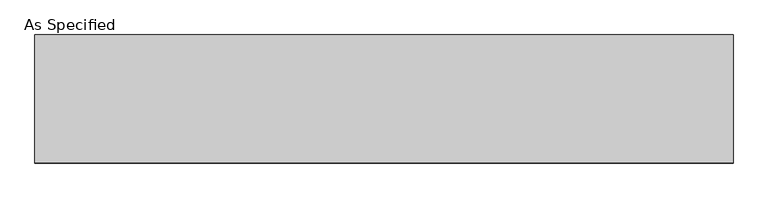
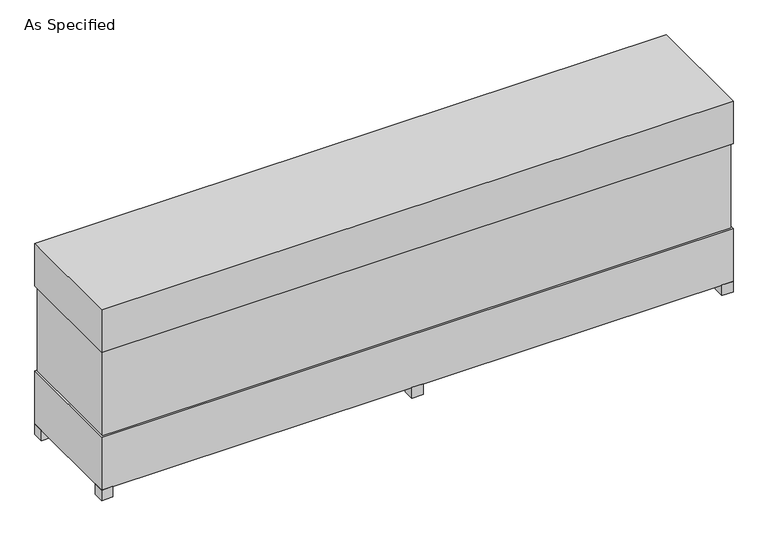
"""IFC4 building model written with IfcOpenShell, lengths in millimetres: proxy geometry, As Specified."""

from ifc_helpers import new_model, si_unit, frame, origin, origin_with_axes, place, context, project, spatial, polyline, outline, extrude, source, transform, mapped, element, save


def as_specified_61b6a930(model_context):
    return source(origin(), model_context, "Body", "SweptSolid", [
        extrude(outline(polyline([(2135.1875, 382.5875), (2135.1875, -382.5875), (-2135.1875, -382.5875), (-2135.1875, 382.5875), (2135.1875, 382.5875)])), frame((0.0, 0.0, 457.2), z_axis=(0.0, 0.0, 1.0), x_axis=(1.0, 0.0, 0.0)), (0.0, 0.0, 1.0), 609.6),
        extrude(outline(polyline([(2146.3, 393.7), (2146.3, -393.7), (-2146.3, -393.7), (-2146.3, 393.7), (2146.3, 393.7)])), frame((0.0, 0.0, 1066.8), z_axis=(0.0, 0.0, 1.0), x_axis=(1.0, 0.0, 0.0)), (0.0, 0.0, 1.0), 304.8),
        extrude(outline(polyline([(2032.0, 177.8), (2032.0, 101.6), (1955.8, 101.6), (1955.8, 177.8), (2032.0, 177.8)])), frame((0.0, 0.0, 50.8), z_axis=(0.0, 0.0, 1.0), x_axis=(1.0, 0.0, 0.0)), (0.0, 0.0, 1.0), 25.4),
        extrude(outline(polyline([(2032.0, -101.6), (2032.0, -177.8), (1955.8, -177.8), (1955.8, -101.6), (2032.0, -101.6)])), frame((0.0, 0.0, 50.8), z_axis=(0.0, 0.0, 1.0), x_axis=(1.0, 0.0, 0.0)), (0.0, 0.0, 1.0), 25.4),
        extrude(outline(polyline([(-2070.1, 393.7), (-2070.1, 317.5), (-2146.3, 317.5), (-2146.3, 393.7), (-2070.1, 393.7)])), origin_with_axes(), (0.0, 0.0, 1.0), 76.2),
        extrude(outline(polyline([(2146.3, 393.7), (2146.3, 317.5), (2070.1, 317.5), (2070.1, 393.7), (2146.3, 393.7)])), origin_with_axes(), (0.0, 0.0, 1.0), 76.2),
        extrude(outline(polyline([(2146.3, -317.5), (2146.3, -393.7), (2070.1, -393.7), (2070.1, -317.5), (2146.3, -317.5)])), origin_with_axes(), (0.0, 0.0, 1.0), 76.2),
        extrude(outline(polyline([(-2070.1, -317.5), (-2070.1, -393.7), (-2146.3, -393.7), (-2146.3, -317.5), (-2070.1, -317.5)])), origin_with_axes(), (0.0, 0.0, 1.0), 76.2),
        extrude(outline(polyline([(38.1, 393.7), (38.1, 317.5), (-38.1, 317.5), (-38.1, 393.7), (38.1, 393.7)])), origin_with_axes(), (0.0, 0.0, 1.0), 76.2),
        extrude(outline(polyline([(38.1, -317.5), (38.1, -393.7), (-38.1, -393.7), (-38.1, -317.5), (38.1, -317.5)])), origin_with_axes(), (0.0, 0.0, 1.0), 76.2),
        extrude(outline(polyline([(2146.3, 393.7), (2146.3, -393.7), (-2146.3, -393.7), (-2146.3, 393.7), (2146.3, 393.7)])), frame((0.0, 0.0, 76.2), z_axis=(0.0, 0.0, 1.0), x_axis=(1.0, 0.0, 0.0)), (0.0, 0.0, 1.0), 381.0),
    ])


if __name__ == "__main__":
    model = new_model("IFC4")
    model_context = context("Model", 3, world=origin())
    ifc_project = project(units=[si_unit("LENGTHUNIT", "METRE", prefix="MILLI")], contexts=[model_context])
    site = spatial("IfcSite", under=ifc_project)
    building = spatial("IfcBuilding", under=site)
    placement = place(None, origin())
    as_specified_shape = as_specified_61b6a930(model_context)
    element("IfcBuildingElementProxy", 1, Name="As Specified", ObjectType="As Specified", at=placement, inside=building, context=model_context, shape_type="MappedRepresentation", body=[
        mapped(as_specified_shape, transform((0.0, 0.0, 0.0), x_axis=(1.0, 0.0, 0.0), y_axis=(0.0, 1.0, 0.0), z_axis=(0.0, 0.0, 1.0))),
    ])
    save(model, "model.ifc")
